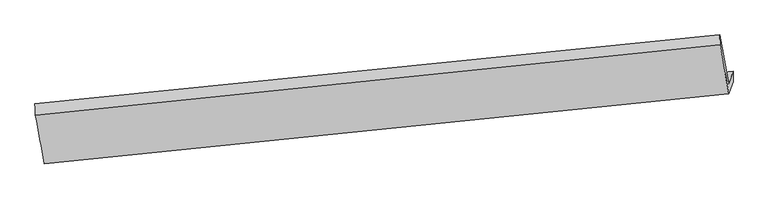
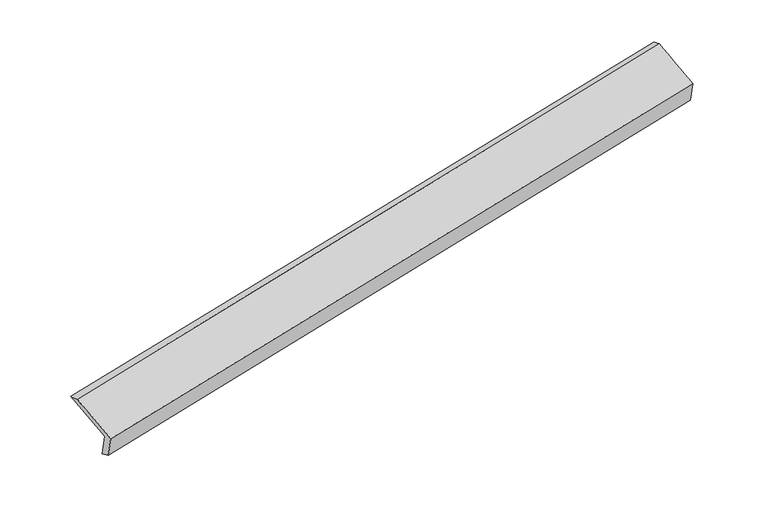
"""IFC4 building model written with IfcOpenShell, lengths in millimetres: proxy geometry."""

import ifcopenshell
import ifcopenshell.guid

model = None  # the IFC model being written
_history = None  # IfcOwnerHistory: only IFC2X3 demands one
_inside = {}  # id of a spatial element -> (the spatial element, [elements in it])
_under = {}  # id of a project, library or spatial element -> (it, [spatial elements below it])
_declared = {}  # id of a project -> (the project, [libraries it declares])
_typed = {}  # id of a type object -> (the type object, [elements of that type])
_made_of = {}  # id of a material, layer set ... -> (it, [elements and type objects made of it])


def new_model(schema):
    """Start an empty IFC model of exactly this schema.

    Asked for "IFC4X3", IfcOpenShell would pick the latest addendum, in which some entities
    have other attributes; the version numbers below select the first issue.
    IFC2X3 requires an IfcOwnerHistory on every rooted entity: one is made here for all.
    """
    global model, _history
    if schema == "IFC4X3":
        model = ifcopenshell.file(schema_version=(4, 3, 0, 0))
    else:
        model = ifcopenshell.file(schema=schema)
    _inside.clear()
    _under.clear()
    _declared.clear()
    _typed.clear()
    _made_of.clear()
    _history = None
    if model.schema == "IFC2X3":
        org = make("IfcOrganization", Name="unknown")
        user = make(
            "IfcPersonAndOrganization",
            ThePerson=make("IfcPerson", FamilyName="unknown"),
            TheOrganization=org,
        )
        app = make(
            "IfcApplication",
            ApplicationDeveloper=org,
            Version="unknown",
            ApplicationFullName="unknown",
            ApplicationIdentifier="unknown",
        )
        _history = make(
            "IfcOwnerHistory",
            OwningUser=user,
            OwningApplication=app,
            ChangeAction="ADDED",
            CreationDate=0,
        )
    return model


def make(cls, **values):
    """One entity of the class cls with the attributes given. An attribute that is None is left unset."""
    return model.create_entity(
        cls, **{name: value for name, value in values.items() if value is not None}
    )


def rooted(cls, **values):
    """An entity with a GlobalId (a new one), such as an element, a storey or a relation."""
    return make(cls, GlobalId=ifcopenshell.guid.new(), OwnerHistory=_history, **values)


def si_unit(unit_type, name, prefix=None):
    """IfcSIUnit, for example si_unit("LENGTHUNIT", "METRE", prefix="MILLI")."""
    return make("IfcSIUnit", UnitType=unit_type, Prefix=prefix, Name=name)


def assignment(units):
    """IfcUnitAssignment: the units of a project."""
    return None if units is None else make("IfcUnitAssignment", Units=units)


def point(xyz):
    """IfcCartesianPoint."""
    return None if xyz is None else make("IfcCartesianPoint", Coordinates=xyz)


def direction(xyz):
    """IfcDirection."""
    return None if xyz is None else make("IfcDirection", DirectionRatios=xyz)


def frame(location, z_axis=None, x_axis=None):
    """IfcAxis2Placement3D, a coordinate frame: its origin and axes. An axis left out is left unset."""
    return make(
        "IfcAxis2Placement3D",
        Location=point(location),
        Axis=direction(z_axis),
        RefDirection=direction(x_axis),
    )


def origin():
    """The frame at (0, 0, 0) with its axes left unset."""
    return frame((0.0, 0.0, 0.0))


def place(relative_to, where):
    """IfcLocalPlacement: puts the frame where relative to a parent placement (None: the world)."""
    return make(
        "IfcLocalPlacement", PlacementRelTo=relative_to, RelativePlacement=where
    )


def context(
    kind, dimensions, precision=None, world=None, true_north=None, identifier=None
):
    """IfcGeometricRepresentationContext, for example the 3D "Model" context."""
    return make(
        "IfcGeometricRepresentationContext",
        ContextIdentifier=identifier,
        ContextType=kind,
        CoordinateSpaceDimension=dimensions,
        Precision=precision,
        WorldCoordinateSystem=world,
        TrueNorth=true_north,
    )


def project(units=None, contexts=None):
    """IfcProject with its units and contexts."""
    return rooted(
        "IfcProject",
        Name="project",
        RepresentationContexts=contexts,
        UnitsInContext=assignment(units),
    )


def spatial(cls, under=None, at=None, **own):
    """A site, building, storey or space (cls), placed at a placement, below another one or the project."""
    s = rooted(cls, ObjectPlacement=at, **own)
    if under is not None:
        _under.setdefault(under.id(), (under, []))[1].append(s)
    return s


def shape(context_of_items, identifier, shape_type, items):
    """IfcShapeRepresentation: the items that make up one representation, for example the "Body"."""
    return make(
        "IfcShapeRepresentation",
        ContextOfItems=context_of_items,
        RepresentationIdentifier=identifier,
        RepresentationType=shape_type,
        Items=items,
    )


def source(mapping_origin, context_of_items, identifier, shape_type, items):
    """IfcRepresentationMap: a shape defined once, which mapped items show again and again."""
    return make(
        "IfcRepresentationMap",
        MappingOrigin=mapping_origin,
        MappedRepresentation=shape(context_of_items, identifier, shape_type, items),
    )


def transform(
    local_origin,
    x_axis=None,
    y_axis=None,
    z_axis=None,
    scale=None,
    scale2=None,
    scale3=None,
    uniform=True,
):
    """IfcCartesianTransformationOperator3D, or its non-uniform kind. x_axis, y_axis, z_axis: its Axis1, 2, 3."""
    if uniform:
        return make(
            "IfcCartesianTransformationOperator3D",
            Axis1=direction(x_axis),
            Axis2=direction(y_axis),
            LocalOrigin=point(local_origin),
            Scale=scale,
            Axis3=direction(z_axis),
        )
    return make(
        "IfcCartesianTransformationOperator3DnonUniform",
        Axis1=direction(x_axis),
        Axis2=direction(y_axis),
        LocalOrigin=point(local_origin),
        Scale=scale,
        Axis3=direction(z_axis),
        Scale2=scale2,
        Scale3=scale3,
    )


def mapped(mapping_source, mapping_target):
    """IfcMappedItem: shows the shape of a source again, moved by a transform."""
    return make(
        "IfcMappedItem", MappingSource=mapping_source, MappingTarget=mapping_target
    )


def made_of(thing, what):
    """Note that an element or type object is made of a material, layer set ...; save() writes the relation."""
    if what is not None:
        _made_of.setdefault(what.id(), (what, []))[1].append(thing)
    return thing


def element(
    cls,
    number,
    at=None,
    inside=None,
    cuts=None,
    type_object=None,
    material=None,
    context=None,
    identifier="Body",
    shape_type=None,
    held_by="IfcProductDefinitionShape",
    body=None,
    shapes=None,
    **own,
):
    """One element of the class cls, such as IfcWall. Its Tag is "e" and its number.

    at: its placement. inside: the storey or other place that contains it. cuts: it is an
    opening in that element (IfcRelVoidsElement). A single representation is given by context,
    identifier, shape_type and body (its items); several are given by shapes. held_by: the class
    of the entity that holds the representations. save() writes the other relations.
    """
    e = rooted(cls, Tag="e%d" % number, ObjectPlacement=at, **own)
    if body is not None:
        shapes = [shape(context, identifier, shape_type, body)]
    if shapes is not None:
        e.Representation = make(held_by, Representations=shapes)
    if inside is not None:
        _inside.setdefault(inside.id(), (inside, []))[1].append(e)
    if cuts is not None:
        rooted(
            "IfcRelVoidsElement", RelatingBuildingElement=cuts, RelatedOpeningElement=e
        )
    if type_object is not None:
        _typed.setdefault(type_object.id(), (type_object, []))[1].append(e)
    return made_of(e, material)


def aggregate(whole, parts):
    """IfcRelAggregates: a whole, such as a stair, and the parts it consists of."""
    return rooted("IfcRelAggregates", RelatingObject=whole, RelatedObjects=parts)


def save(model, path):
    """Write the relations noted so far, then the file.

    IfcRelAggregates (storeys below a building ...), IfcRelContainedInSpatialStructure (elements
    in a storey), IfcRelDefinesByType, IfcRelAssociatesMaterial and IfcRelDeclares: one each for
    every whole, place, type object, material and project.
    """
    for whole, parts in _under.values():
        aggregate(whole, parts)
    for where, things in _inside.values():
        rooted(
            "IfcRelContainedInSpatialStructure",
            RelatedElements=things,
            RelatingStructure=where,
        )
    for kind, things in _typed.values():
        rooted("IfcRelDefinesByType", RelatedObjects=things, RelatingType=kind)
    for what, things in _made_of.values():
        rooted("IfcRelAssociatesMaterial", RelatedObjects=things, RelatingMaterial=what)
    for by, libraries in _declared.values():
        rooted("IfcRelDeclares", RelatingContext=by, RelatedDefinitions=libraries)
    model.write(path)


def plane_surface(at):
    """IfcPlane: the flat surface through the origin of the frame at, square to its z axis."""
    return make("IfcPlane", Position=at)


def spline_surface(u_degree, v_degree, points, u_multiplicities, v_multiplicities, u_knots, v_knots, weights=None):
    """IfcBSplineSurfaceWithKnots; with weights, IfcRationalBSplineSurfaceWithKnots. points: one row for each step in u."""
    own = dict(
        UDegree=u_degree,
        VDegree=v_degree,
        ControlPointsList=[[point(p) for p in row] for row in points],
        SurfaceForm="UNSPECIFIED",
        UClosed=False,
        VClosed=False,
        SelfIntersect=False,
        UMultiplicities=u_multiplicities,
        VMultiplicities=v_multiplicities,
        UKnots=u_knots,
        VKnots=v_knots,
        KnotSpec="UNSPECIFIED",
    )
    if weights is None:
        return make("IfcBSplineSurfaceWithKnots", **own)
    return make("IfcRationalBSplineSurfaceWithKnots", WeightsData=weights, **own)


def advanced_brep(points, edges, surfaces, faces):
    """IfcAdvancedBrep: a solid bounded by faces that lie on surfaces and meet in shared edges.

    An edge is (start, end): straight between two places in points (the first is 0);
    or (start, end, curve); or (start, end, curve, False) where it runs against its curve.
    A face is (place in surfaces, loops), or (place, loops, False) where it looks against
    its surface's normal. A loop lists edges by number (the first is 1), with a minus sign
    where the edge is run from its end to its start. The first loop is the outer one.
    """
    corners = [point(p) for p in points]
    vertices = [make("IfcVertexPoint", VertexGeometry=c) for c in corners]
    made = []
    for start, end, *more in edges:
        made.append(
            make(
                "IfcEdgeCurve",
                EdgeStart=vertices[start],
                EdgeEnd=vertices[end],
                EdgeGeometry=more[0] if more else make("IfcPolyline", Points=[corners[start], corners[end]]),
                SameSense=more[1] if len(more) > 1 else True,
            )
        )
    hull = []
    for where, loops, *sense in faces:
        bounds = []
        for j, loop in enumerate(loops):
            ring = [make("IfcOrientedEdge", EdgeElement=made[abs(k) - 1], Orientation=k > 0) for k in loop]
            bounds.append(
                make(
                    "IfcFaceOuterBound" if j == 0 else "IfcFaceBound",
                    Bound=make("IfcEdgeLoop", EdgeList=ring),
                    Orientation=True,
                )
            )
        hull.append(make("IfcAdvancedFace", Bounds=bounds, FaceSurface=surfaces[where], SameSense=sense[0] if sense else True))
    return make("IfcAdvancedBrep", Outer=make("IfcClosedShell", CfsFaces=hull))


def generic_models_b328ea3e(model_context):
    return source(origin(), model_context, "Body", "AdvancedBrep", [
        advanced_brep(
        [(-7586.5489639, -2029.6366056, 589.7253257), (-7649.2757847, -2209.1028026, 1004.2688531), (1965.6324861, -1233.7991006, 2879.4320374), (2028.3593068, -1054.3329037, 2464.88851), (-7584.2394415, -2187.0037574, 661.8101489), (2028.4459114, -1202.6189767, 2540.5683962), (-7644.0187815, -2358.036988, 1056.874623), (1968.6665714, -1373.6522073, 2935.6328703), (-7770.5035083, -1672.1848351, 1334.6579802), (1845.9395041, -687.4155702, 3214.151272), (-7777.5207573, -1513.7058739, 1285.9180286), (1842.8322953, -547.1535891, 3158.1163863)],
        [
            (0, 1),
            (1, 2),
            (2, 3),
            (3, 0),
            (4, 0),
            (3, 5),
            (5, 4),
            (6, 4),
            (5, 7),
            (7, 6),
            (8, 6),
            (7, 9),
            (9, 8),
            (10, 8),
            (9, 11),
            (11, 10),
            (1, 10),
            (11, 2),
        ],
        [
            plane_surface(frame((-7617.9123743, -2119.3697041, 796.9970894), z_axis=(-0.1650090222614201, 0.9139716431806263, 0.3707126353849247), x_axis=(-0.13754125484559224, -0.39351597333893024, 0.9089706166552438))),
            spline_surface(1, 1, [[(-7584.2394415, -2187.0037574, 661.8101489), (2028.4459114, -1202.6189767, 2540.5683962)], [(-7586.5489639, -2029.6366056, 589.7253257), (2028.3593068, -1054.3329037, 2464.88851)]], [2, 2], [2, 2], [0.0, 1.0], [0.0, 1.0]),
            plane_surface(frame((-7614.1291115, -2272.5203727, 859.3423859), z_axis=(0.1660010176956701, -0.9138706079083232, -0.3705187905157762), x_axis=(0.13754125484543792, 0.39351597333901156, -0.9089706166552319))),
            spline_surface(1, 1, [[(-7770.5035083, -1672.1848351, 1334.6579802), (1845.9395041, -687.4155702, 3214.151272)], [(-7644.0187815, -2358.036988, 1056.874623), (1968.6665714, -1373.6522073, 2935.6328703)]], [2, 2], [2, 2], [0.0, 1.0], [0.0, 1.0]),
            spline_surface(1, 1, [[(-7777.5207573, -1513.7058739, 1285.9180286), (1842.8322953, -547.1535891, 3158.1163863)], [(-7770.5035083, -1672.1848351, 1334.6579802), (1845.9395041, -687.4155702, 3214.151272)]], [2, 2], [2, 2], [0.0, 1.0], [0.0, 1.0]),
            spline_surface(1, 1, [[(-7649.2757847, -2209.1028026, 1004.2688531), (1965.6324861, -1233.7991006, 2879.4320374)], [(-7777.5207573, -1513.7058739, 1285.9180286), (1842.8322953, -547.1535891, 3158.1163863)]], [2, 2], [2, 2], [0.0, 1.0], [0.0, 1.0]),
            plane_surface(frame((1946.6460125, -1016.4953913, 2865.464912), z_axis=(0.976911340917682, 0.09757189876562991, 0.19006303311713915), x_axis=(0.16348282846207185, -0.9141252120460973, -0.37101005579326096))),
            plane_surface(frame((-7668.6845395, -1994.9451438, 988.8758266), z_axis=(-0.9760604897316217, -0.1022564418005614, -0.19196234134630558), x_axis=(0.13754125484551485, 0.39351597333892724, -0.9089706166552569))),
        ],
        [
            (0, [[1, 2, 3, 4]]),
            (1, [[5, -4, 6, 7]]),
            (2, [[8, -7, 9, 10]]),
            (3, [[11, -10, 12, 13]]),
            (4, [[14, -13, 15, 16]]),
            (5, [[17, -16, 18, -2]]),
            (6, [[-12, -9, -6, -3, -18, -15]]),
            (7, [[-1, -5, -8, -11, -14, -17]]),
        ],
    ),
    ])


if __name__ == "__main__":
    model = new_model("IFC4")
    model_context = context("Model", 3, world=origin())
    ifc_project = project(units=[si_unit("LENGTHUNIT", "METRE", prefix="MILLI")], contexts=[model_context])
    site = spatial("IfcSite", under=ifc_project)
    building = spatial("IfcBuilding", under=site)
    placement = place(None, origin())
    generic_models_shape = generic_models_b328ea3e(model_context)
    element("IfcBuildingElementProxy", 1, Name="Generic Models", at=placement, inside=building, context=model_context, shape_type="MappedRepresentation", body=[
        mapped(generic_models_shape, transform((0.0, 0.0, 0.0), x_axis=(1.0, 0.0, 0.0), y_axis=(0.0, 1.0, 0.0), z_axis=(0.0, 0.0, 1.0))),
    ])
    save(model, "model.ifc")
